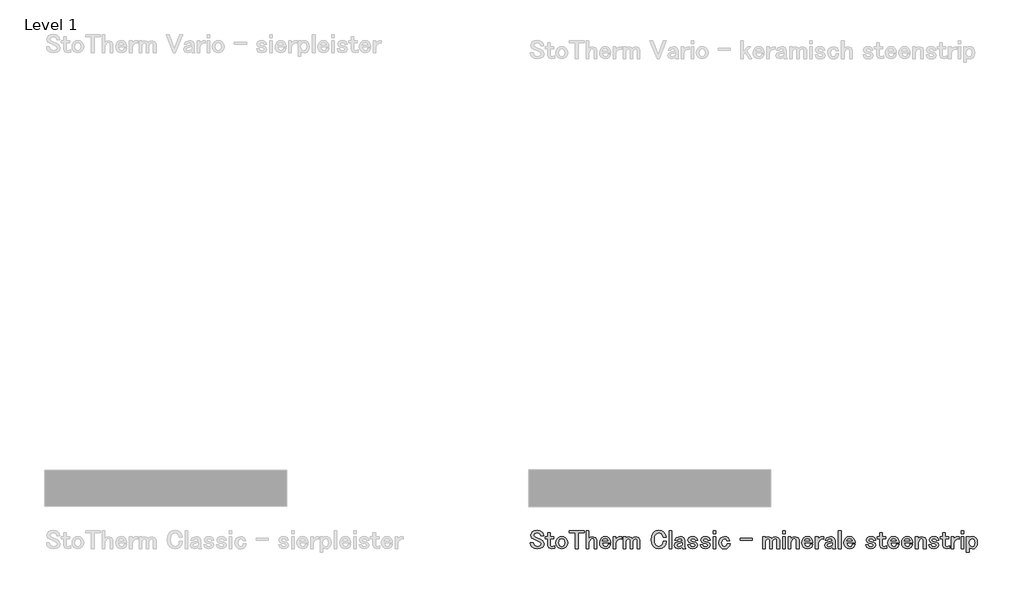
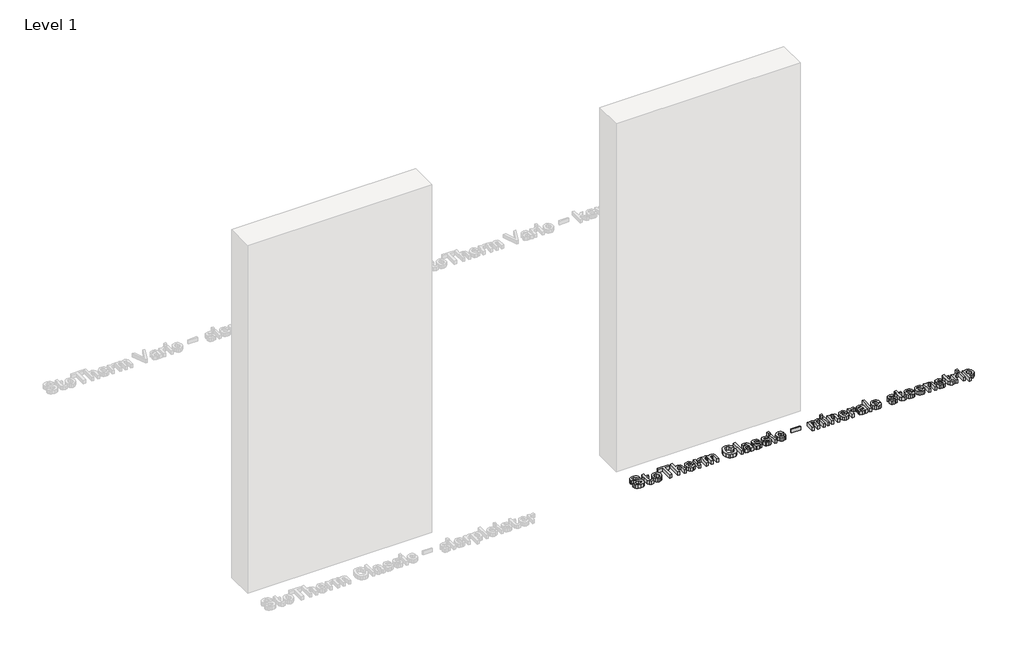
# One storey, part 2 of 3: 1 proxy.
"""IFC4 building model written with IfcOpenShell, lengths in millimetres."""

from ifc_helpers import new_model, si_unit, origin, origin_with_axes, place, context, project, spatial, polyline, outline, extrude, element, save

model = new_model("IFC4")

# Units and contexts
model_context = context("Model", 3, world=origin())
ifc_project = project(units=[si_unit("LENGTHUNIT", "METRE", prefix="MILLI")], contexts=[model_context])

# Site, building, storey
site = spatial("IfcSite", under=ifc_project)
building = spatial("IfcBuilding", under=site)
storey = spatial("IfcBuildingStorey", under=building, Name="Level 1", Elevation=0.0)

# Proxy
placement = place(None, origin())
element("IfcBuildingElementProxy", 1, Name="Generic Models", at=placement, inside=storey, context=model_context, shape_type="SweptSolid", body=[
    extrude(outline(polyline([(4967.1007315, 1042.1164993), (4968.6740526, 1049.8322385), (4973.394016, 1056.5996746), (4981.2390693, 1061.1903239), (4992.5324976, 1062.7205403), (5004.6621568, 1060.9748004), (5013.3606829, 1055.7375808), (5018.0935777, 1048.8322097), (5019.6712093, 1040.7026656), (5007.6536222, 1040.7026656), (5004.5500846, 1049.3925707), (4993.3945913, 1053.082332), (4981.7908093, 1049.8236176), (4979.1355605, 1043.3923981), (4980.5149105, 1038.2370774), (4987.8427075, 1034.0817854), (5010.0157591, 1024.2711584), (5016.7745742, 1019.8917221), (5021.8092018, 1008.4086332), (5020.2315702, 1000.3782297), (5015.4986754, 993.494411), (5006.8001494, 988.5804766), (4993.8083963, 986.9424984), (4980.8166433, 988.8994513), (4971.2560235, 994.7703098), (4966.8593453, 1001.9946555), (4965.3937859, 1011.9432176), (4977.4286148, 1011.9432176), (4980.5149105, 1000.684273), (4994.2394432, 996.1496598), (5006.6708353, 1000.270468), (5009.7743728, 1006.7016875), (5007.5329291, 1012.7018601), (5001.0155002, 1016.857152), (4989.9289744, 1021.977989), (4977.6010336, 1027.512631), (4971.2560235, 1031.4782623), (4967.1007315, 1042.1164993)])), origin_with_axes(), (0.0, 0.0, 1.0), 20.0),
    extrude(outline(polyline([(5036.5510052, 1053.3409601), (5047.2926935, 1053.3409601), (5047.2926935, 1036.6853086), (5061.8103524, 1036.6853086), (5061.8103524, 1028.754046), (5047.2926935, 1028.754046), (5047.2926935, 1001.5808505), (5049.1030904, 997.2703817), (5053.8790898, 995.7186129), (5065.6380488, 998.7186992), (5065.6380488, 989.8908591), (5054.2928948, 986.9424984), (5041.137344, 990.9426135), (5036.5510052, 1000.7187568), (5036.5510052, 1028.754046), (5026.3093312, 1028.754046), (5026.3093312, 1036.6853086), (5036.5510052, 1036.6853086), (5036.5510052, 1053.3409601)])), origin_with_axes(), (0.0, 0.0, 1.0), 20.0),
    extrude(outline(polyline([(5070.724402, 1012.2363295), (5072.6166978, 1022.5211081), (5078.2935852, 1030.9954898), (5085.7162125, 1035.9094242), (5094.8802692, 1037.5474024), (5104.0227736, 1035.9094242), (5111.4497114, 1030.9954898), (5117.1265988, 1022.5124871), (5119.0188946, 1012.2363295), (5117.1265988, 1001.9731032), (5111.4497114, 993.494411), (5104.0227736, 988.5804766), (5094.8802692, 986.9424984), (5085.7162125, 988.5804766), (5078.2935852, 993.494411), (5072.6166978, 1001.9644823), (5070.724402, 1012.2363295)]), holes=[polyline([(5094.8802692, 1028.754046), (5087.1214254, 1025.4953316), (5082.328184, 1012.2363295), (5086.6903785, 999.4083743), (5094.8802692, 995.7186129), (5103.0529181, 999.4083743), (5107.4323544, 1012.2363295), (5102.6218712, 1025.4953316), (5094.8802692, 1028.754046)])]), origin_with_axes(), (0.0, 0.0, 1.0), 20.0),
    extrude(outline(polyline([(5126.3984172, 1061.8756884), (5187.0725764, 1061.8756884), (5187.0725764, 1052.6512851), (5162.7442903, 1052.6512851), (5162.7442903, 987.7873503), (5150.7267033, 987.7873503), (5150.7267033, 1052.6512851), (5126.3984172, 1052.6512851), (5126.3984172, 1061.8756884)])), origin_with_axes(), (0.0, 0.0, 1.0), 20.0),
    extrude(outline(polyline([(5196.0211096, 1061.8756884), (5206.7627979, 1061.8756884), (5206.7627979, 1028.1505803), (5213.1509127, 1035.1981969), (5221.4528757, 1037.5474024), (5235.4532784, 1033.1162404), (5240.0568591, 1022.4780034), (5240.0568591, 987.7873503), (5229.3151708, 987.7873503), (5229.3151708, 1020.3572527), (5226.6426801, 1027.6333241), (5221.4528757, 1029.6161397), (5213.6940318, 1025.9263784), (5206.7627979, 1013.0984232), (5206.7627979, 987.7873503), (5196.0211096, 987.7873503), (5196.0211096, 1061.8756884)])), origin_with_axes(), (0.0, 0.0, 1.0), 20.0),
    extrude(outline(polyline([(5251.0226918, 1012.2363295), (5252.9149876, 1022.8400828), (5258.591875, 1031.4092948), (5265.6912172, 1036.0128755), (5274.7475122, 1037.5474024), (5283.5753523, 1035.9094242), (5290.8859074, 1030.9954898), (5295.6058708, 1023.0125015), (5297.1791919, 1011.6845895), (5262.6264738, 1011.6845895), (5266.5576214, 999.4083743), (5275.5923641, 995.7186129), (5283.3339661, 998.1324755), (5286.0236986, 1005.115435), (5297.6102388, 1005.115435), (5291.7307593, 992.6495591), (5284.8512511, 988.3692636), (5275.5923641, 986.9424984), (5265.7946684, 988.5804766), (5258.1608281, 993.494411), (5252.8072259, 1001.7489588), (5251.0226918, 1012.2363295)]), holes=[polyline([(5274.3164653, 1029.1850929), (5266.5576214, 1025.9263784), (5263.0402788, 1019.6158521), (5285.1616048, 1019.6158521), (5282.0580673, 1026.3574253), (5274.3164653, 1029.1850929)])]), origin_with_axes(), (0.0, 0.0, 1.0), 20.0),
    extrude(outline(polyline([(5321.6971386, 1030.5644429), (5330.2491087, 1035.8016625), (5341.9391001, 1037.5474024), (5341.9391001, 1027.0471003), (5336.14583, 1027.4781472), (5324.9730949, 1022.0814402), (5318.9039548, 1012.719102), (5318.9039548, 987.7873503), (5308.1622665, 987.7873503), (5308.1622665, 1036.6853086), (5318.9039548, 1036.6853086), (5318.9039548, 1024.736689), (5321.6971386, 1030.5644429)])), origin_with_axes(), (0.0, 0.0, 1.0), 20.0),
    extrude(outline(polyline([(5359.0430404, 987.7873503), (5348.3013521, 987.7873503), (5348.3013521, 1036.6853086), (5359.0430404, 1036.6853086), (5359.0430404, 1029.443721), (5363.8233503, 1035.521482), (5370.7502737, 1037.5474024), (5383.9058246, 1033.1162404), (5386.6472827, 1028.5816272), (5392.7810799, 1035.3059586), (5401.9063424, 1037.5474024), (5413.3377057, 1033.5472873), (5417.9412864, 1023.771144), (5417.9412864, 987.7873503), (5407.1995981, 987.7873503), (5407.1995981, 1022.0641984), (5405.8030062, 1025.9263784), (5400.6132017, 1028.340241), (5391.5784591, 1024.6504797), (5388.4921634, 1018.6503071), (5388.4921634, 987.7873503), (5377.7504751, 987.7873503), (5377.7504751, 1021.6331515), (5375.5090313, 1026.3574253), (5369.88818, 1028.340241), (5362.560383, 1025.0815265), (5359.0430404, 1018.2192602), (5359.0430404, 987.7873503)])), origin_with_axes(), (0.0, 0.0, 1.0), 20.0),
    extrude(outline(polyline([(5463.752949, 1024.6159959), (5466.4944072, 1041.5087232), (5474.7187817, 1054.461682), (5484.283712, 1060.6558257), (5496.4263026, 1062.7205403), (5508.3490594, 1060.8670387), (5517.254488, 1055.3065339), (5523.3667328, 1046.1726505), (5525.7030069, 1034.7369767), (5513.3060985, 1034.7369767), (5508.0128428, 1048.5477188), (5496.4263026, 1053.5133789), (5483.5466218, 1047.685625), (5478.0378427, 1038.2456983), (5476.2015829, 1024.6159959), (5478.0378427, 1010.9862935), (5483.5466218, 1001.5463668), (5496.4263026, 996.1496598), (5508.8576947, 1000.684273), (5513.1121274, 1007.8267199), (5514.5302717, 1017.9089064), (5526.9789056, 1017.9089064), (5524.5391803, 1004.4516228), (5518.1165817, 994.3565048), (5508.9870088, 988.796), (5496.4263026, 986.9424984), (5484.283712, 989.007213), (5474.7187817, 995.2013567), (5466.4944072, 1008.0465538), (5463.752949, 1024.6159959)])), origin_with_axes(), (0.0, 0.0, 1.0), 20.0),
    extrude(outline(polyline([(5538.962009, 1061.8756884), (5549.7036973, 1061.8756884), (5549.7036973, 987.7873503), (5538.962009, 987.7873503), (5538.962009, 1061.8756884)])), origin_with_axes(), (0.0, 0.0, 1.0), 20.0),
    extrude(outline(polyline([(5561.9626706, 1021.5124584), (5567.8076663, 1032.7024354), (5582.2563578, 1037.5474024), (5591.9376708, 1036.3361606), (5598.3947531, 1032.7024354), (5602.9983338, 1022.4780034), (5602.9983338, 995.5979198), (5606.4122251, 987.7873503), (5594.4291217, 987.7873503), (5592.2566455, 993.3392342), (5586.1400902, 988.5416824), (5577.1355208, 986.9424984), (5563.97997, 991.3564185), (5559.8246781, 1000.7187568), (5563.97997, 1010.9259469), (5576.5320552, 1016.6330077), (5585.2392022, 1018.7192746), (5592.2566455, 1020.9262346), (5589.9979598, 1026.3574253), (5583.5494984, 1028.754046), (5575.7906546, 1026.3574253), (5573.376792, 1021.5124584), (5561.9626706, 1021.5124584)]), holes=[polyline([(5592.2566455, 1012.1156363), (5588.8944798, 1010.8569794), (5577.807954, 1008.28794), (5573.2216151, 1005.8740775), (5571.4112182, 1001.5808505), (5573.2216151, 996.8393348), (5577.9976146, 995.7186129), (5589.1531079, 1000.270468), (5592.2566455, 1004.1326481), (5592.2566455, 1012.1156363)])]), origin_with_axes(), (0.0, 0.0, 1.0), 20.0),
    extrude(outline(polyline([(5616.4469965, 1022.4780034), (5620.6022884, 1032.2713885), (5627.0679916, 1036.2283989), (5635.9130737, 1037.5474024), (5645.2711015, 1036.3361606), (5651.620422, 1032.7024354), (5656.2067609, 1022.3573103), (5645.5340401, 1022.3573103), (5644.0684807, 1026.7884722), (5635.4820268, 1029.1850929), (5629.4301286, 1026.7884722), (5627.6197317, 1022.4780034), (5628.5680348, 1019.8917221), (5638.7062575, 1016.1847189), (5648.2237726, 1013.6156795), (5653.7584146, 1010.5121419), (5657.4999015, 1001.9946555), (5652.8963208, 992.2185123), (5646.1159534, 988.2615019), (5636.3268787, 986.9424984), (5626.537804, 988.2615019), (5619.7574365, 992.2185123), (5615.1710977, 1003.8395362), (5625.8438185, 1003.8395362), (5627.7231829, 998.1324755), (5635.9130737, 995.3048079), (5644.9305744, 997.7014286), (5646.3271663, 1001.5808505), (5644.4995276, 1005.0119837), (5639.4821418, 1007.4430881), (5627.8956017, 1010.4259326), (5620.6022884, 1013.9777589), (5616.4469965, 1022.4780034)])), origin_with_axes(), (0.0, 0.0, 1.0), 20.0),
    extrude(outline(polyline([(5668.3105573, 1022.4780034), (5672.4658493, 1032.2713885), (5678.9315525, 1036.2283989), (5687.7766345, 1037.5474024), (5697.1346623, 1036.3361606), (5703.4839829, 1032.7024354), (5708.0703217, 1022.3573103), (5697.3976009, 1022.3573103), (5695.9320415, 1026.7884722), (5687.3455876, 1029.1850929), (5681.2936894, 1026.7884722), (5679.4832925, 1022.4780034), (5680.4315956, 1019.8917221), (5690.5698183, 1016.1847189), (5700.0873335, 1013.6156795), (5705.6219754, 1010.5121419), (5709.3634624, 1001.9946555), (5704.7598817, 992.2185123), (5697.9795142, 988.2615019), (5688.1904395, 986.9424984), (5678.4013648, 988.2615019), (5671.6209974, 992.2185123), (5667.0346585, 1003.8395362), (5677.7073793, 1003.8395362), (5679.5867438, 998.1324755), (5687.7766345, 995.3048079), (5696.7941353, 997.7014286), (5698.1907272, 1001.5808505), (5696.3630884, 1005.0119837), (5691.3457027, 1007.4430881), (5679.7591625, 1010.4259326), (5672.4658493, 1013.9777589), (5668.3105573, 1022.4780034)])), origin_with_axes(), (0.0, 0.0, 1.0), 20.0),
    extrude(outline(polyline([(5721.0362119, 1061.4446415), (5731.7779002, 1061.4446415), (5731.7779002, 1049.2373938), (5721.0362119, 1049.2373938), (5721.0362119, 1061.4446415)])), origin_with_axes(), (0.0, 0.0, 1.0), 20.0),
    extrude(outline(polyline([(5721.0362119, 1036.6853086), (5731.7779002, 1036.6853086), (5731.7779002, 987.7873503), (5721.0362119, 987.7873503), (5721.0362119, 1036.6853086)])), origin_with_axes(), (0.0, 0.0, 1.0), 20.0),
    extrude(outline(polyline([(5743.1747798, 1011.8225245), (5744.9593139, 1022.3098951), (5750.3129162, 1030.5644429), (5757.7355435, 1035.4783773), (5766.8996002, 1037.1163555), (5776.3653897, 1035.797352), (5783.0379954, 1031.8403417), (5788.9174749, 1019.3744658), (5777.3826603, 1019.3744658), (5774.2101553, 1025.9263784), (5767.3306471, 1028.340241), (5759.5718032, 1025.0815265), (5754.7785619, 1011.3914776), (5759.1407563, 998.5635224), (5766.8996002, 995.3048079), (5775.4860541, 998.5635224), (5778.5895916, 1007.6672325), (5790.1933737, 1007.6672325), (5788.3915977, 999.0118111), (5783.8828473, 992.2185123), (5776.7921261, 987.9382167), (5766.8996002, 986.5114515), (5758.1665903, 988.0459784), (5751.1750099, 992.6495591), (5745.1748373, 1001.4342946), (5743.1747798, 1011.8225245)])), origin_with_axes(), (0.0, 0.0, 1.0), 20.0),
    extrude(outline(polyline([(5831.5221487, 1029.857526), (5882.3856808, 1029.857526), (5882.3856808, 1021.9262634), (5831.5221487, 1021.9262634), (5831.5221487, 1029.857526)])), origin_with_axes(), (0.0, 0.0, 1.0), 20.0),
    extrude(outline(polyline([(5936.1630898, 987.7873503), (5925.4214015, 987.7873503), (5925.4214015, 1036.6853086), (5936.1630898, 1036.6853086), (5936.1630898, 1029.443721), (5940.9433997, 1035.521482), (5947.8703231, 1037.5474024), (5961.025874, 1033.1162404), (5963.7673321, 1028.5816272), (5969.9011293, 1035.3059586), (5979.0263918, 1037.5474024), (5990.4577551, 1033.5472873), (5995.0613358, 1023.771144), (5995.0613358, 987.7873503), (5984.3196475, 987.7873503), (5984.3196475, 1022.0641984), (5982.9230556, 1025.9263784), (5977.7332511, 1028.340241), (5968.6985085, 1024.6504797), (5965.6122128, 1018.6503071), (5965.6122128, 987.7873503), (5954.8705245, 987.7873503), (5954.8705245, 1021.6331515), (5952.6290807, 1026.3574253), (5947.0082294, 1028.340241), (5939.6804324, 1025.0815265), (5936.1630898, 1018.2192602), (5936.1630898, 987.7873503)])), origin_with_axes(), (0.0, 0.0, 1.0), 20.0),
    extrude(outline(polyline([(6007.9410166, 1061.4446415), (6018.6827049, 1061.4446415), (6018.6827049, 1049.2373938), (6007.9410166, 1049.2373938), (6007.9410166, 1061.4446415)])), origin_with_axes(), (0.0, 0.0, 1.0), 20.0),
    extrude(outline(polyline([(6007.9410166, 1036.6853086), (6018.6827049, 1036.6853086), (6018.6827049, 987.7873503), (6007.9410166, 987.7873503), (6007.9410166, 1036.6853086)])), origin_with_axes(), (0.0, 0.0, 1.0), 20.0),
    extrude(outline(polyline([(6042.0971715, 987.7873503), (6031.3554832, 987.7873503), (6031.3554832, 1036.6853086), (6042.0971715, 1036.6853086), (6042.0971715, 1028.1505803), (6048.8258134, 1035.1981969), (6057.2182961, 1037.5474024), (6071.6497458, 1032.2713885), (6075.3912327, 1023.771144), (6075.3912327, 987.7873503), (6064.6495444, 987.7873503), (6064.6495444, 1021.2021046), (6062.3908587, 1027.2022772), (6055.9423974, 1029.6161397), (6048.1835535, 1025.4953316), (6042.0971715, 1012.2363295), (6042.0971715, 987.7873503)])), origin_with_axes(), (0.0, 0.0, 1.0), 20.0),
    extrude(outline(polyline([(6086.3570654, 1012.2363295), (6088.2493612, 1022.8400828), (6093.9262486, 1031.4092948), (6101.0255908, 1036.0128755), (6110.0818858, 1037.5474024), (6118.9097259, 1035.9094242), (6126.220281, 1030.9954898), (6130.9402444, 1023.0125015), (6132.5135655, 1011.6845895), (6097.9608474, 1011.6845895), (6101.891995, 999.4083743), (6110.9267376, 995.7186129), (6118.6683396, 998.1324755), (6121.3580722, 1005.115435), (6132.9446124, 1005.115435), (6127.0651329, 992.6495591), (6120.1856247, 988.3692636), (6110.9267376, 986.9424984), (6101.129042, 988.5804766), (6093.4952017, 993.494411), (6088.1415995, 1001.7489588), (6086.3570654, 1012.2363295)]), holes=[polyline([(6109.6508389, 1029.1850929), (6101.891995, 1025.9263784), (6098.3746524, 1019.6158521), (6120.4959784, 1019.6158521), (6117.3924409, 1026.3574253), (6109.6508389, 1029.1850929)])]), origin_with_axes(), (0.0, 0.0, 1.0), 20.0),
    extrude(outline(polyline([(6157.0315121, 1030.5644429), (6165.5834823, 1035.8016625), (6177.2734737, 1037.5474024), (6177.2734737, 1027.0471003), (6171.4802036, 1027.4781472), (6160.3074685, 1022.0814402), (6154.2383284, 1012.719102), (6154.2383284, 987.7873503), (6143.4966401, 987.7873503), (6143.4966401, 1036.6853086), (6154.2383284, 1036.6853086), (6154.2383284, 1024.736689), (6157.0315121, 1030.5644429)])), origin_with_axes(), (0.0, 0.0, 1.0), 20.0),
    extrude(outline(polyline([(6183.2219207, 1021.5124584), (6189.0669164, 1032.7024354), (6203.5156079, 1037.5474024), (6213.1969209, 1036.3361606), (6219.6540032, 1032.7024354), (6224.2575839, 1022.4780034), (6224.2575839, 995.5979198), (6227.6714752, 987.7873503), (6215.6883719, 987.7873503), (6213.5158956, 993.3392342), (6207.3993403, 988.5416824), (6198.3947709, 986.9424984), (6185.2392201, 991.3564185), (6181.0839282, 1000.7187568), (6185.2392201, 1010.9259469), (6197.7913053, 1016.6330077), (6206.4984523, 1018.7192746), (6213.5158956, 1020.9262346), (6211.2572099, 1026.3574253), (6204.8087486, 1028.754046), (6197.0499047, 1026.3574253), (6194.6360421, 1021.5124584), (6183.2219207, 1021.5124584)]), holes=[polyline([(6213.5158956, 1012.1156363), (6210.1537299, 1010.8569794), (6199.0672041, 1008.28794), (6194.4808653, 1005.8740775), (6192.6704684, 1001.5808505), (6194.4808653, 996.8393348), (6199.2568647, 995.7186129), (6210.412358, 1000.270468), (6213.5158956, 1004.1326481), (6213.5158956, 1012.1156363)])]), origin_with_axes(), (0.0, 0.0, 1.0), 20.0),
    extrude(outline(polyline([(6238.5683404, 1061.8756884), (6249.3100286, 1061.8756884), (6249.3100286, 987.7873503), (6238.5683404, 987.7873503), (6238.5683404, 1061.8756884)])), origin_with_axes(), (0.0, 0.0, 1.0), 20.0),
    extrude(outline(polyline([(6260.7069082, 1012.2363295), (6262.599204, 1022.8400828), (6268.2760915, 1031.4092948), (6275.3754336, 1036.0128755), (6284.4317286, 1037.5474024), (6293.2595687, 1035.9094242), (6300.5701239, 1030.9954898), (6305.2900872, 1023.0125015), (6306.8634083, 1011.6845895), (6272.3106903, 1011.6845895), (6276.2418378, 999.4083743), (6285.2765805, 995.7186129), (6293.0181825, 998.1324755), (6295.707915, 1005.115435), (6307.2944552, 1005.115435), (6301.4149757, 992.6495591), (6294.5354675, 988.3692636), (6285.2765805, 986.9424984), (6275.4788849, 988.5804766), (6267.8450446, 993.494411), (6262.4914423, 1001.7489588), (6260.7069082, 1012.2363295)]), holes=[polyline([(6284.0006817, 1029.1850929), (6276.2418378, 1025.9263784), (6272.7244953, 1019.6158521), (6294.8458213, 1019.6158521), (6291.7422837, 1026.3574253), (6284.0006817, 1029.1850929)])]), origin_with_axes(), (0.0, 0.0, 1.0), 20.0),
    extrude(outline(polyline([(6352.4681685, 1022.4780034), (6356.6234604, 1032.2713885), (6363.0891636, 1036.2283989), (6371.9342456, 1037.5474024), (6381.2922735, 1036.3361606), (6387.641594, 1032.7024354), (6392.2279329, 1022.3573103), (6381.5552121, 1022.3573103), (6380.0896527, 1026.7884722), (6371.5031988, 1029.1850929), (6365.4513005, 1026.7884722), (6363.6409036, 1022.4780034), (6364.5892068, 1019.8917221), (6374.7274294, 1016.1847189), (6384.2449446, 1013.6156795), (6389.7795866, 1010.5121419), (6393.5210735, 1001.9946555), (6388.9174928, 992.2185123), (6382.1371253, 988.2615019), (6372.3480507, 986.9424984), (6362.558976, 988.2615019), (6355.7786085, 992.2185123), (6351.1922697, 1003.8395362), (6361.8649905, 1003.8395362), (6363.7443549, 998.1324755), (6371.9342456, 995.3048079), (6380.9517464, 997.7014286), (6382.3483383, 1001.5808505), (6380.5206995, 1005.0119837), (6375.5033138, 1007.4430881), (6363.9167736, 1010.4259326), (6356.6234604, 1013.9777589), (6352.4681685, 1022.4780034)])), origin_with_axes(), (0.0, 0.0, 1.0), 20.0),
    extrude(outline(polyline([(6408.1766675, 1053.3409601), (6418.9183558, 1053.3409601), (6418.9183558, 1036.6853086), (6433.4360148, 1036.6853086), (6433.4360148, 1028.754046), (6418.9183558, 1028.754046), (6418.9183558, 1001.5808505), (6420.7287527, 997.2703817), (6425.5047521, 995.7186129), (6437.2637111, 998.7186992), (6437.2637111, 989.8908591), (6425.9185571, 986.9424984), (6412.7630063, 990.9426135), (6408.1766675, 1000.7187568), (6408.1766675, 1028.754046), (6397.9349936, 1028.754046), (6397.9349936, 1036.6853086), (6408.1766675, 1036.6853086), (6408.1766675, 1053.3409601)])), origin_with_axes(), (0.0, 0.0, 1.0), 20.0),
    extrude(outline(polyline([(6442.7811112, 1012.2363295), (6444.673407, 1022.8400828), (6450.3502944, 1031.4092948), (6457.4496366, 1036.0128755), (6466.5059316, 1037.5474024), (6475.3337717, 1035.9094242), (6482.6443268, 1030.9954898), (6487.3642902, 1023.0125015), (6488.9376113, 1011.6845895), (6454.3848932, 1011.6845895), (6458.3160408, 999.4083743), (6467.3507834, 995.7186129), (6475.0923855, 998.1324755), (6477.782118, 1005.115435), (6489.3686582, 1005.115435), (6483.4891787, 992.6495591), (6476.6096705, 988.3692636), (6467.3507834, 986.9424984), (6457.5530878, 988.5804766), (6449.9192475, 993.494411), (6444.5656453, 1001.7489588), (6442.7811112, 1012.2363295)]), holes=[polyline([(6466.0748847, 1029.1850929), (6458.3160408, 1025.9263784), (6454.7986982, 1019.6158521), (6476.9200242, 1019.6158521), (6473.8164867, 1026.3574253), (6466.0748847, 1029.1850929)])]), origin_with_axes(), (0.0, 0.0, 1.0), 20.0),
    extrude(outline(polyline([(6499.0585921, 1012.2363295), (6500.9508879, 1022.8400828), (6506.6277753, 1031.4092948), (6513.7271175, 1036.0128755), (6522.7834125, 1037.5474024), (6531.6112526, 1035.9094242), (6538.9218077, 1030.9954898), (6543.6417711, 1023.0125015), (6545.2150922, 1011.6845895), (6510.6623742, 1011.6845895), (6514.5935217, 999.4083743), (6523.6282644, 995.7186129), (6531.3698664, 998.1324755), (6534.0595989, 1005.115435), (6545.6461391, 1005.115435), (6539.7666596, 992.6495591), (6532.8871514, 988.3692636), (6523.6282644, 986.9424984), (6513.8305687, 988.5804766), (6506.1967285, 993.494411), (6500.8431262, 1001.7489588), (6499.0585921, 1012.2363295)]), holes=[polyline([(6522.3523656, 1029.1850929), (6514.5935217, 1025.9263784), (6511.0761792, 1019.6158521), (6533.1975051, 1019.6158521), (6530.0939676, 1026.3574253), (6522.3523656, 1029.1850929)])]), origin_with_axes(), (0.0, 0.0, 1.0), 20.0),
    extrude(outline(polyline([(6567.3536601, 987.7873503), (6556.6119718, 987.7873503), (6556.6119718, 1036.6853086), (6567.3536601, 1036.6853086), (6567.3536601, 1028.1505803), (6574.0823019, 1035.1981969), (6582.4747847, 1037.5474024), (6596.9062343, 1032.2713885), (6600.6477212, 1023.771144), (6600.6477212, 987.7873503), (6589.9060329, 987.7873503), (6589.9060329, 1021.2021046), (6587.6473473, 1027.2022772), (6581.1988859, 1029.6161397), (6573.4400421, 1025.4953316), (6567.3536601, 1012.2363295), (6567.3536601, 987.7873503)])), origin_with_axes(), (0.0, 0.0, 1.0), 20.0),
    extrude(outline(polyline([(6612.8894527, 1022.4780034), (6617.0447446, 1032.2713885), (6623.5104479, 1036.2283989), (6632.3555299, 1037.5474024), (6641.7135577, 1036.3361606), (6648.0628783, 1032.7024354), (6652.6492171, 1022.3573103), (6641.9764963, 1022.3573103), (6640.5109369, 1026.7884722), (6631.924483, 1029.1850929), (6625.8725848, 1026.7884722), (6624.0621879, 1022.4780034), (6625.010491, 1019.8917221), (6635.1487137, 1016.1847189), (6644.6662288, 1013.6156795), (6650.2008708, 1010.5121419), (6653.9423577, 1001.9946555), (6649.338777, 992.2185123), (6642.5584096, 988.2615019), (6632.7693349, 986.9424984), (6622.9802602, 988.2615019), (6616.1998927, 992.2185123), (6611.6135539, 1003.8395362), (6622.2862747, 1003.8395362), (6624.1656391, 998.1324755), (6632.3555299, 995.3048079), (6641.3730307, 997.7014286), (6642.7696226, 1001.5808505), (6640.9419838, 1005.0119837), (6635.9245981, 1007.4430881), (6624.3380579, 1010.4259326), (6617.0447446, 1013.9777589), (6612.8894527, 1022.4780034)])), origin_with_axes(), (0.0, 0.0, 1.0), 20.0),
    extrude(outline(polyline([(6668.5979517, 1053.3409601), (6679.33964, 1053.3409601), (6679.33964, 1036.6853086), (6693.857299, 1036.6853086), (6693.857299, 1028.754046), (6679.33964, 1028.754046), (6679.33964, 1001.5808505), (6681.1500369, 997.2703817), (6685.9260364, 995.7186129), (6697.6849953, 998.7186992), (6697.6849953, 989.8908591), (6686.3398414, 986.9424984), (6673.1842905, 990.9426135), (6668.5979517, 1000.7187568), (6668.5979517, 1028.754046), (6658.3562778, 1028.754046), (6658.3562778, 1036.6853086), (6668.5979517, 1036.6853086), (6668.5979517, 1053.3409601)])), origin_with_axes(), (0.0, 0.0, 1.0), 20.0),
    extrude(outline(polyline([(6717.5993613, 1030.5644429), (6726.1513314, 1035.8016625), (6737.8413229, 1037.5474024), (6737.8413229, 1027.0471003), (6732.0480528, 1027.4781472), (6720.8753176, 1022.0814402), (6714.8061775, 1012.719102), (6714.8061775, 987.7873503), (6704.0644892, 987.7873503), (6704.0644892, 1036.6853086), (6714.8061775, 1036.6853086), (6714.8061775, 1024.736689), (6717.5993613, 1030.5644429)])), origin_with_axes(), (0.0, 0.0, 1.0), 20.0),
    extrude(outline(polyline([(6745.0656686, 1061.4446415), (6755.8073569, 1061.4446415), (6755.8073569, 1049.2373938), (6745.0656686, 1049.2373938), (6745.0656686, 1061.4446415)])), origin_with_axes(), (0.0, 0.0, 1.0), 20.0),
    extrude(outline(polyline([(6745.0656686, 1036.6853086), (6755.8073569, 1036.6853086), (6755.8073569, 987.7873503), (6745.0656686, 987.7873503), (6745.0656686, 1036.6853086)])), origin_with_axes(), (0.0, 0.0, 1.0), 20.0),
    extrude(outline(polyline([(6778.3769716, 972.0110344), (6767.6352833, 972.0110344), (6767.6352833, 1036.6853086), (6778.3769716, 1036.6853086), (6778.3769716, 1031.1506666), (6783.0710722, 1035.9482184), (6790.49801, 1037.5474024), (6799.1146371, 1036.1206372), (6805.7915533, 1031.8403417), (6811.158087, 1023.3616495), (6812.9469316, 1012.2363295), (6811.158087, 1000.8006557), (6805.7915533, 992.2185123), (6799.1146371, 987.9382167), (6790.49801, 986.5114515), (6782.5882997, 988.2183972), (6778.3769716, 993.3392342), (6778.3769716, 972.0110344)]), holes=[polyline([(6790.49801, 1028.754046), (6782.3081192, 1025.0815265), (6778.3769716, 1015.2364158), (6778.3769716, 1009.253485), (6782.7391661, 998.9773274), (6790.49801, 995.3048079), (6796.9637132, 998.1324755), (6801.3431495, 1012.2363295), (6797.3947601, 1025.4953316), (6790.49801, 1028.754046)])]), origin_with_axes(), (0.0, 0.0, 1.0), 20.0),
])

save(model, "model.ifc")
